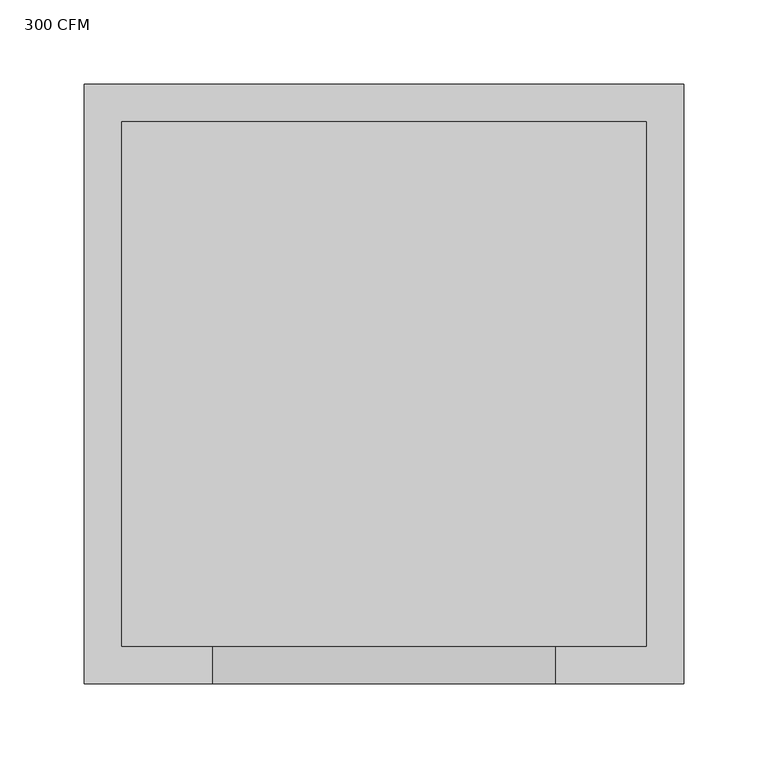
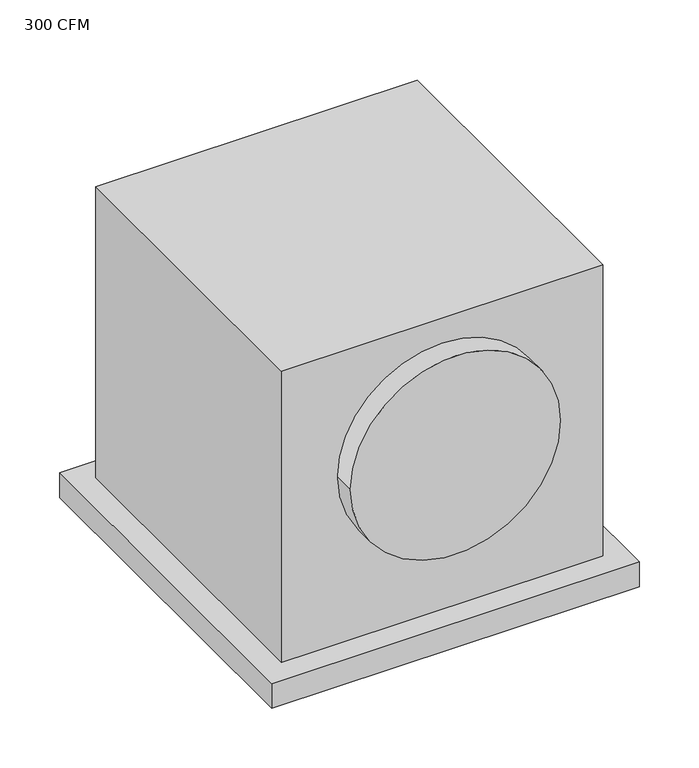
"""IFC4 building model written with IfcOpenShell, lengths in millimetres: proxy geometry, 300 CFM."""

from ifc_helpers import new_model, si_unit, point, frame, frame_2d, origin, origin_with_axes, place, context, project, spatial, polyline, circle_curve, trimmed, segment, composite_curve, outline, extrude, source, transform, mapped, element, save


def proxy_300_cfm_dd46dcd4(model_context):
    return source(origin(), model_context, "Body", "SweptSolid", [
        extrude(outline(polyline([(177.8, 177.8), (177.8, -177.8), (-177.8, -177.8), (-177.8, 177.8), (177.8, 177.8)])), frame((0.0, 0.0, -25.4), z_axis=(0.0, 0.0, 1.0), x_axis=(1.0, 0.0, 0.0)), (0.0, 0.0, 1.0), 25.4),
        extrude(outline(polyline([(155.575, 155.575), (155.575, -155.575), (-155.575, -155.575), (-155.575, 155.575), (155.575, 155.575)])), origin_with_axes(), (0.0, 0.0, 1.0), 298.45),
        extrude(outline(composite_curve([segment(trimmed(circle_curve(frame_2d((171.45, 0.0)), 101.6), [point((171.45, -101.6))], [point((171.45, 101.6))], False, "CARTESIAN"), True, "CONTINUOUS"), segment(trimmed(circle_curve(frame_2d((171.45, 0.0)), 101.6), [point((171.45, 101.6))], [point((171.45, -101.6))], False, "CARTESIAN"), True, "CONTINUOUS")], self_intersect=False)), frame((0.0, -177.8, 0.0), z_axis=(0.0, 1.0, 0.0), x_axis=(0.0, 0.0, 1.0)), (0.0, 0.0, 1.0), 22.225),
    ])


if __name__ == "__main__":
    model = new_model("IFC4")
    model_context = context("Model", 3, world=origin())
    ifc_project = project(units=[si_unit("LENGTHUNIT", "METRE", prefix="MILLI")], contexts=[model_context])
    site = spatial("IfcSite", under=ifc_project)
    building = spatial("IfcBuilding", under=site)
    placement = place(None, origin())
    proxy_300_cfm_shape = proxy_300_cfm_dd46dcd4(model_context)
    element("IfcBuildingElementProxy", 1, Name="300 CFM", ObjectType="300 CFM", at=placement, inside=building, context=model_context, shape_type="MappedRepresentation", body=[
        mapped(proxy_300_cfm_shape, transform((0.0, 0.0, 0.0), x_axis=(1.0, 0.0, 0.0), y_axis=(0.0, 1.0, 0.0), z_axis=(0.0, 0.0, 1.0))),
    ])
    save(model, "model.ifc")
